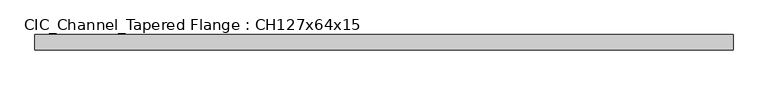
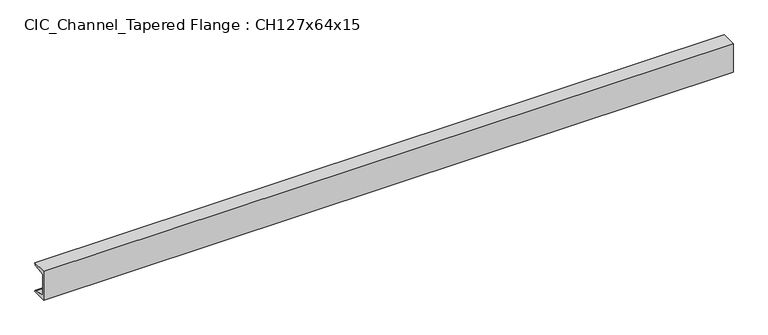
"""IFC4 building model written with IfcOpenShell, lengths in millimetres: beam geometry, CIC_Channel_Tapered Flange : CH127x64x15."""

from ifc_helpers import new_model, si_unit, point, frame, frame_2d, origin, place, context, project, spatial, polyline, circle_curve, trimmed, segment, composite_curve, outline, extrude, source, transform, mapped, element, save


def cic_channel_tapered_flange_ch127x64x15_8b586bda(model_context):
    return source(origin(), model_context, "Body", "SweptSolid", [
        extrude(outline(composite_curve([segment(polyline([(-19.4, 63.5), (44.1, 63.5)]), True, "CONTINUOUS"), segment(trimmed(circle_curve(frame_2d((34.9, 63.5)), 9.2), [point((44.1, 63.5))], [point((34.9, 54.3))], False, "CARTESIAN"), True, "CONTINUOUS"), segment(polyline([(34.9, 54.3), (-13.0, 46.7133853), (-13.0, -46.7133853), (34.9, -54.3)]), True, "CONTINUOUS"), segment(trimmed(circle_curve(frame_2d((34.9, -63.5)), 9.2), [point((34.9, -54.3))], [point((44.1, -63.5))], False, "CARTESIAN"), True, "CONTINUOUS"), segment(polyline([(44.1, -63.5), (-19.4, -63.5), (-19.4, 63.5)]), True, "CONTINUOUS")], self_intersect=False)), frame((-1446.45, 0.0, 0.0), z_axis=(1.0, 0.0, 0.0), x_axis=(0.0, 1.0, 0.0)), (0.0, 0.0, 1.0), 2892.9),
    ])


if __name__ == "__main__":
    model = new_model("IFC4")
    model_context = context("Model", 3, world=origin())
    ifc_project = project(units=[si_unit("LENGTHUNIT", "METRE", prefix="MILLI")], contexts=[model_context])
    site = spatial("IfcSite", under=ifc_project)
    building = spatial("IfcBuilding", under=site)
    placement = place(None, origin())
    cic_channel_tapered_flange_ch127x64x15_shape = cic_channel_tapered_flange_ch127x64x15_8b586bda(model_context)
    element("IfcBeam", 1, ObjectType="CIC_Channel_Tapered Flange : CH127x64x15", at=placement, inside=building, context=model_context, shape_type="MappedRepresentation", body=[
        mapped(cic_channel_tapered_flange_ch127x64x15_shape, transform((0.0, 0.0, 0.0), x_axis=(1.0, 0.0, 0.0), y_axis=(0.0, 1.0, 0.0), z_axis=(0.0, 0.0, 1.0))),
    ])
    save(model, "model.ifc")
